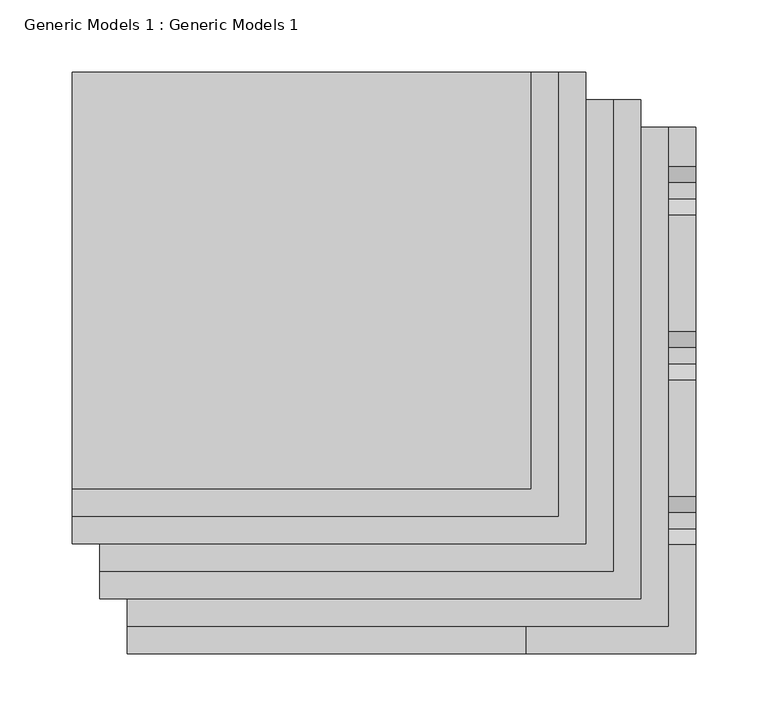
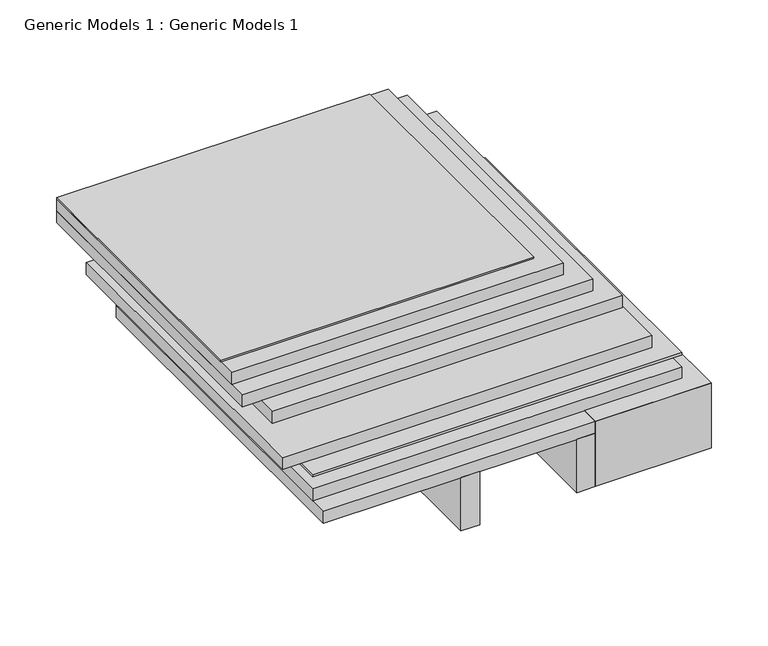
"""IFC4 building model written with IfcOpenShell, lengths in millimetres: proxy geometry, Generic Models 1 : Generic Models 1."""

from ifc_helpers import new_model, si_unit, frame, origin, place, context, project, spatial, polyline, outline, extrude, source, transform, mapped, element, save


def generic_models_1_generic_models_1_8372766f(model_context):
    return source(origin(), model_context, "Body", "SweptSolid", [
        extrude(outline(polyline([(-120.65, 383.5788588), (234.95, 383.5788588), (234.95, 57.15), (-120.65, 57.15), (-120.65, 383.5788588)])), frame((0.0, 0.0, 168.275), z_axis=(0.0, 0.0, 1.0), x_axis=(1.0, 0.0, 0.0)), (0.0, 0.0, 1.0), 12.7),
        extrude(outline(polyline([(-120.65, 383.5788588), (254.0, 383.5788588), (254.0, 38.1), (-120.65, 38.1), (-120.65, 383.5788588)])), frame((0.0, 0.0, 130.175), z_axis=(0.0, 0.0, 1.0), x_axis=(1.0, 0.0, 0.0)), (0.0, 0.0, 1.0), 12.7),
        extrude(outline(polyline([(-101.6, 364.5288588), (273.05, 364.5288588), (273.05, 19.05), (-101.6, 19.05), (-101.6, 364.5288588)])), frame((0.0, 0.0, 127.0), z_axis=(0.0, 0.0, 1.0), x_axis=(1.0, 0.0, 0.0)), (0.0, 0.0, 1.0), 2.38125),
        extrude(outline(polyline([(228.670593, 44.45), (196.920593, 76.2), (201.410721, 76.2), (231.845593, 45.7651281), (262.2804649, 76.2), (266.770593, 76.2), (235.020593, 44.45), (228.670593, 44.45)])), frame((287.3375, 0.0, 0.0), z_axis=(1.0, 0.0, 0.0), x_axis=(0.0, 1.0, 0.0)), (0.0, 0.0, 1.0), 3.175),
        extrude(outline(polyline([(110.7911863, 44.45), (79.0411863, 76.2), (83.5313144, 76.2), (113.9661863, 45.7651281), (144.4010583, 76.2), (148.8911863, 76.2), (117.1411863, 44.45), (110.7911863, 44.45)])), frame((287.3375, 0.0, 0.0), z_axis=(1.0, 0.0, 0.0), x_axis=(0.0, 1.0, 0.0)), (0.0, 0.0, 1.0), 3.175),
        extrude(outline(polyline([(364.5288588, 88.9), (364.5288588, 76.2), (25.4, 76.2), (12.7, 88.9), (364.5288588, 88.9)])), frame((285.75, 0.0, 0.0), z_axis=(1.0, 0.0, 0.0), x_axis=(0.0, 1.0, 0.0)), (0.0, 0.0, 1.0), 6.35),
        extrude(outline(polyline([(364.5288588, 31.75), (69.85, 31.75), (57.15, 44.45), (364.5288588, 44.45), (364.5288588, 31.75)])), frame((285.75, 0.0, 0.0), z_axis=(1.0, 0.0, 0.0), x_axis=(0.0, 1.0, 0.0)), (0.0, 0.0, 1.0), 6.35),
        extrude(outline(polyline([(75.3364053, 101.6), (86.4489053, 90.4875), (97.8337772, 90.4875), (108.9462772, 101.6), (189.6364053, 101.6), (200.7489053, 90.4875), (212.1337772, 90.4875), (223.2462772, 101.6), (303.9364053, 101.6), (315.0489053, 90.4875), (326.4337772, 90.4875), (337.5462772, 101.6), (364.5288588, 101.6), (364.5288588, 100.0125), (338.2038412, 100.0125), (327.0913412, 88.9), (314.3913412, 88.9), (303.2788412, 100.0125), (223.9038412, 100.0125), (212.7913412, 88.9), (200.0913412, 88.9), (188.9788412, 100.0125), (109.6038412, 100.0125), (98.4913412, 88.9), (85.7913412, 88.9), (74.6788412, 100.0125), (1.5875, 100.0125), (0.0, 101.6), (75.3364053, 101.6)])), frame((174.625, 0.0, 0.0), z_axis=(1.0, 0.0, 0.0), x_axis=(0.0, 1.0, 0.0)), (0.0, 0.0, 1.0), 117.475),
        extrude(outline(polyline([(0.0, 31.75), (0.0, 101.6), (69.85, 31.75), (0.0, 31.75)])), frame((174.625, 0.0, 0.0), z_axis=(1.0, 0.0, 0.0), x_axis=(0.0, 1.0, 0.0)), (0.0, 0.0, 1.0), 117.475),
        extrude(outline(polyline([(-139.7, 402.6288588), (177.8, 402.6288588), (177.8, 114.3), (-139.7, 114.3), (-139.7, 402.6288588)])), frame((0.0, 0.0, 206.375), z_axis=(0.0, 0.0, 1.0), x_axis=(1.0, 0.0, 0.0)), (0.0, 0.0, 1.0), 1.5875),
        extrude(outline(polyline([(-139.7, 402.6288588), (196.85, 402.6288588), (196.85, 95.25), (-139.7, 95.25), (-139.7, 402.6288588)])), frame((0.0, 0.0, 193.675), z_axis=(0.0, 0.0, 1.0), x_axis=(1.0, 0.0, 0.0)), (0.0, 0.0, 1.0), 12.7),
        extrude(outline(polyline([(-139.7, 402.6288588), (215.9, 402.6288588), (215.9, 76.2), (-139.7, 76.2), (-139.7, 402.6288588)])), frame((0.0, 0.0, 180.975), z_axis=(0.0, 0.0, 1.0), x_axis=(1.0, 0.0, 0.0)), (0.0, 0.0, 1.0), 12.7),
        extrude(outline(polyline([(-101.6, 364.5288588), (273.05, 364.5288588), (273.05, 19.05), (-101.6, 19.05), (-101.6, 364.5288588)])), frame((0.0, 0.0, 101.6), z_axis=(0.0, 0.0, 1.0), x_axis=(1.0, 0.0, 0.0)), (0.0, 0.0, 1.0), 12.7),
        extrude(outline(polyline([(57.15, 0.0), (38.1, 0.0), (38.1, 261.3017557), (57.15, 261.3017557), (57.15, 0.0)])), frame((0.0, 0.0, 31.75), z_axis=(0.0, 0.0, 1.0), x_axis=(1.0, 0.0, 0.0)), (0.0, 0.0, 1.0), 57.15),
        extrude(outline(polyline([(174.625, 0.0), (155.575, 0.0), (155.575, 261.3017557), (174.625, 261.3017557), (174.625, 0.0)])), frame((0.0, 0.0, 31.75), z_axis=(0.0, 0.0, 1.0), x_axis=(1.0, 0.0, 0.0)), (0.0, 0.0, 1.0), 57.15),
        extrude(outline(polyline([(-101.6, 364.5288588), (174.625, 364.5288588), (174.625, 0.0), (-101.6, 0.0), (-101.6, 364.5288588)])), frame((0.0, 0.0, 88.9), z_axis=(0.0, 0.0, 1.0), x_axis=(1.0, 0.0, 0.0)), (0.0, 0.0, 1.0), 12.7),
    ])


if __name__ == "__main__":
    model = new_model("IFC4")
    model_context = context("Model", 3, world=origin())
    ifc_project = project(units=[si_unit("LENGTHUNIT", "METRE", prefix="MILLI")], contexts=[model_context])
    site = spatial("IfcSite", under=ifc_project)
    building = spatial("IfcBuilding", under=site)
    placement = place(None, origin())
    generic_models_1_generic_models_1_shape = generic_models_1_generic_models_1_8372766f(model_context)
    element("IfcBuildingElementProxy", 1, Name="Generic Models 1 : Generic Models 1", ObjectType="Generic Models 1 : Generic Models 1", at=placement, inside=building, context=model_context, shape_type="MappedRepresentation", body=[
        mapped(generic_models_1_generic_models_1_shape, transform((0.0, 0.0, 0.0), x_axis=(1.0, 0.0, 0.0), y_axis=(0.0, 1.0, 0.0), z_axis=(0.0, 0.0, 1.0))),
    ])
    save(model, "model.ifc")
